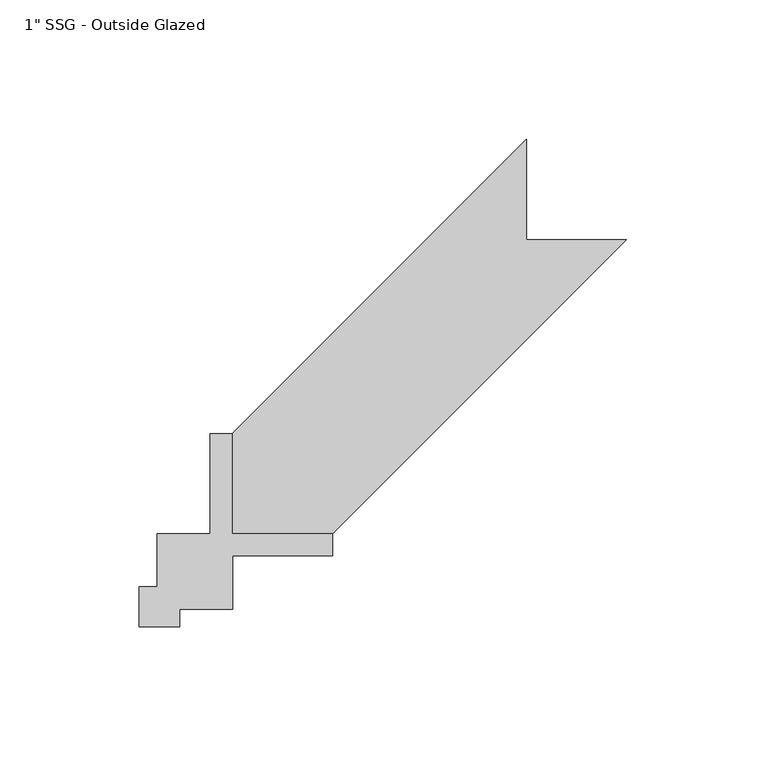
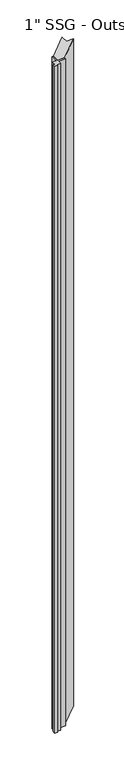
"""IFC4 building model written with IfcOpenShell, lengths in millimetres: proxy geometry."""

from ifc_helpers import new_model, si_unit, frame, origin, place, context, project, spatial, polyline, outline, extrude, source, transform, mapped, element, save


def proxy_2c0cae43(model_context):
    return source(origin(), model_context, "Body", "SweptSolid", [
        extrude(outline(polyline([(6.35, 33.4222074), (25.4, 33.4222074), (25.4, 69.2514339), (33.3304094, 69.2514339), (33.3304094, 33.3304096), (69.2514341, 33.3304096), (69.2514341, 25.4), (33.4222074, 25.4), (33.4222074, 6.35), (14.3722074, 6.35), (14.3722074, 0.0), (0.0, 0.0), (0.0, 14.3722074), (6.35, 14.3722074), (6.35, 33.4222074)])), frame((0.0, 0.0, 63.5), z_axis=(0.0, 0.0, 1.0), x_axis=(1.0, 0.0, 0.0)), (0.0, 0.0, 1.0), 3556.0),
        extrude(outline(polyline([(33.3304094, 69.2514339), (138.7404094, 174.6614339), (138.7404094, 138.7404096), (174.6614341, 138.7404096), (69.2514341, 33.3304096), (33.3304094, 33.3304096), (33.3304094, 69.2514339)])), frame((0.0, 0.0, 63.5), z_axis=(0.0, 0.0, 1.0), x_axis=(1.0, 0.0, 0.0)), (0.0, 0.0, 1.0), 3556.0),
    ])


if __name__ == "__main__":
    model = new_model("IFC4")
    model_context = context("Model", 3, world=origin())
    ifc_project = project(units=[si_unit("LENGTHUNIT", "METRE", prefix="MILLI")], contexts=[model_context])
    site = spatial("IfcSite", under=ifc_project)
    building = spatial("IfcBuilding", under=site)
    placement = place(None, origin())
    proxy_shape = proxy_2c0cae43(model_context)
    element("IfcBuildingElementProxy", 1, Name="1\" SSG - Outside Glazed", ObjectType="1\" SSG - Outside Glazed", at=placement, inside=building, context=model_context, shape_type="MappedRepresentation", body=[
        mapped(proxy_shape, transform((0.0, 0.0, 0.0), x_axis=(1.0, 0.0, 0.0), y_axis=(0.0, 1.0, 0.0), z_axis=(0.0, 0.0, 1.0))),
    ])
    save(model, "model.ifc")
